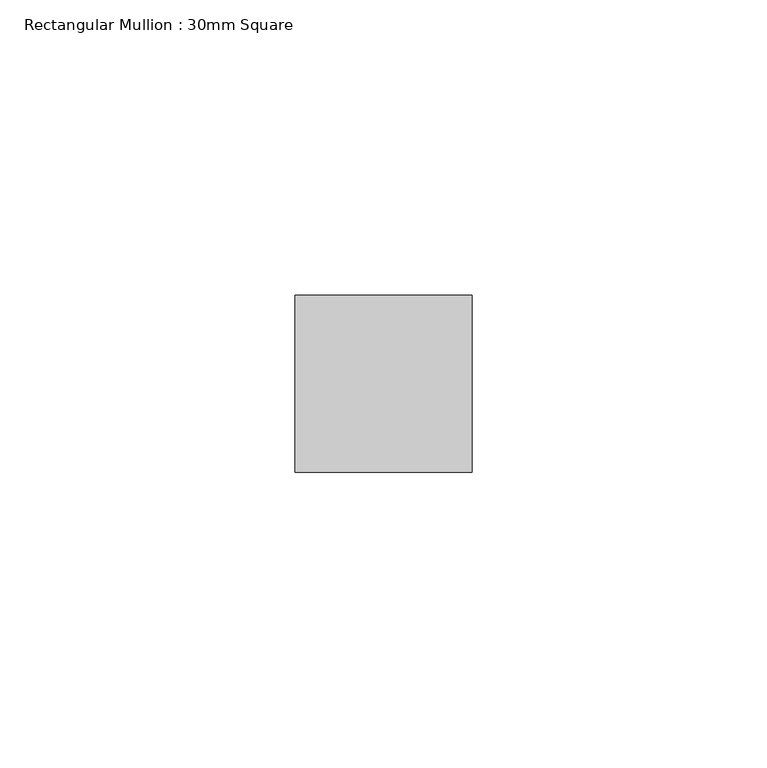
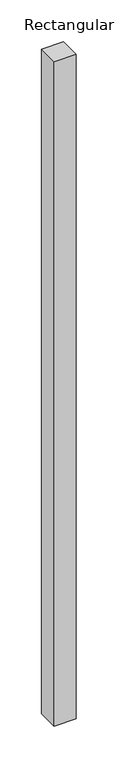
"""IFC4 building model written with IfcOpenShell, lengths in millimetres: member geometry, Rectangular Mullion : 30mm Square."""

from ifc_helpers import new_model, si_unit, frame, origin, place, context, project, spatial, polyline, outline, extrude, source, transform, mapped, element, save


def rectangular_mullion_30mm_square_8605173b(model_context):
    return source(origin(), model_context, "Body", "SweptSolid", [
        extrude(outline(polyline([(15.0, 15.0), (15.0, -15.0), (-15.0, -15.0), (-15.0, 15.0), (15.0, 15.0)])), frame((0.0, 0.0, -967.4471375), z_axis=(0.0, 0.0, 1.0), x_axis=(1.0, 0.0, 0.0)), (0.0, 0.0, 1.0), 967.4471375),
    ])


if __name__ == "__main__":
    model = new_model("IFC4")
    model_context = context("Model", 3, world=origin())
    ifc_project = project(units=[si_unit("LENGTHUNIT", "METRE", prefix="MILLI")], contexts=[model_context])
    site = spatial("IfcSite", under=ifc_project)
    building = spatial("IfcBuilding", under=site)
    placement = place(None, origin())
    rectangular_mullion_30mm_square_shape = rectangular_mullion_30mm_square_8605173b(model_context)
    element("IfcMember", 1, ObjectType="Rectangular Mullion : 30mm Square", at=placement, inside=building, context=model_context, shape_type="MappedRepresentation", body=[
        mapped(rectangular_mullion_30mm_square_shape, transform((0.0, 0.0, 0.0), x_axis=(1.0, 0.0, 0.0), y_axis=(0.0, 1.0, 0.0), z_axis=(0.0, 0.0, 1.0))),
    ])
    save(model, "model.ifc")
